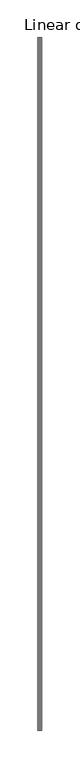
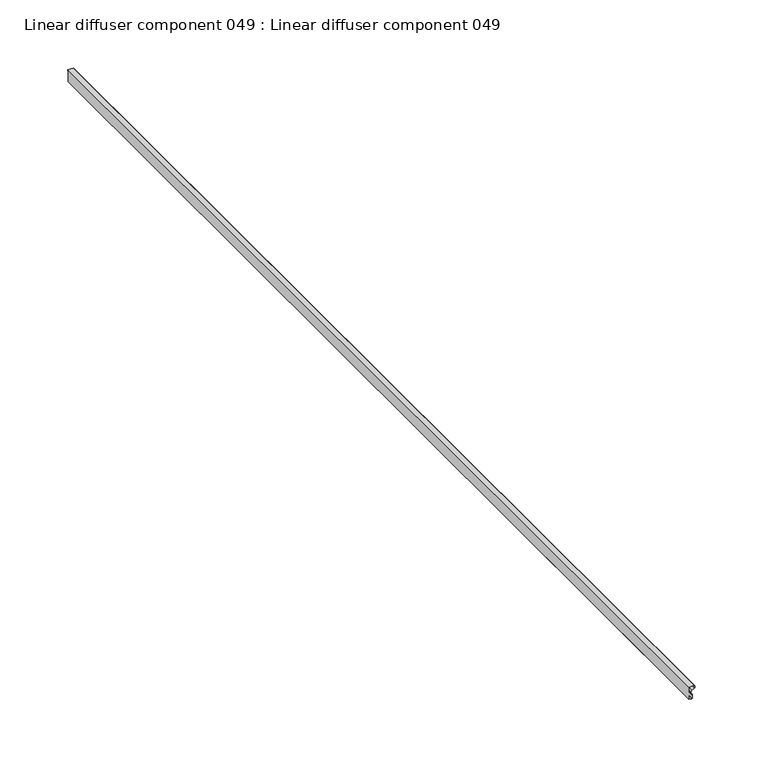
"""IFC4 building model written with IfcOpenShell, lengths in millimetres: proxy geometry, Linear diffuser component 049 : Linear diffuser component 049."""

from ifc_helpers import new_model, si_unit, origin, place, context, project, spatial, triangles, source, transform, mapped, element, save


def linear_diffuser_component_049_linear_diffuser_component_049_4c30373f(model_context):
    return source(origin(), model_context, "Body", "Tessellation", [
        triangles([(37343.6926758, -19576.8259827, 2979.0254311), (37343.6926758, -18662.4259827, 2979.0254311), (37342.8834229, -18662.4259827, 2979.9620018), (37342.8834229, -19576.8259827, 2979.9620018), (37342.5950684, -18662.4259827, 2981.1636726), (37342.5950684, -19576.8259827, 2981.1636726), (37343.3647888, -18662.4259827, 2983.0257683), (37343.3647888, -19576.8259827, 2983.0257683), (37345.3809448, -18662.4259827, 2983.8579849), (37345.3809448, -19576.8259827, 2983.8579849), (37345.7878967, -19576.8259827, 2984.1759888), (37345.7878967, -18662.4259827, 2984.1759888), (37345.7878967, -18662.4259827, 2986.1502869), (37345.7878967, -19576.8259827, 2986.1502869), (37345.4018738, -18662.4259827, 2986.1502869), (37345.4018738, -19576.8259827, 2986.1502869), (37345.4018738, -18662.4259827, 2986.5383446), (37345.4018738, -19576.8259827, 2986.5383446), (37340.7277405, -18662.4259827, 2986.5383446), (37340.7277405, -19576.8259827, 2986.5383446), (37340.7277405, -18662.4259827, 2985.7625198), (37340.7277405, -19576.8259827, 2985.7625198), (37340.8440125, -19576.8259827, 2985.7625198), (37340.8440125, -18662.4259827, 2985.7625198), (37340.8440125, -18662.4259827, 2975.7436546), (37340.8440125, -19576.8259827, 2975.7436546), (37342.4369385, -18662.4259827, 2975.7436546), (37342.4369385, -19576.8259827, 2975.7436546), (37342.4369385, -18662.4259827, 2974.9649231), (37342.4369385, -19576.8259827, 2974.9649231), (37343.4624573, -18662.4259827, 2974.9649231), (37343.4624573, -19576.8259827, 2974.9649231), (37343.8531311, -19576.8259827, 2975.3529808), (37343.8531311, -18662.4259827, 2975.3529808), (37343.8531311, -18662.4259827, 2978.7068459), (37343.8531311, -19576.8259827, 2978.7068459), (37343.4647827, -18662.4259827, 2978.7068459), (37343.4647827, -19576.8259827, 2978.7068459)], [[4, 1, 3], [2, 3, 1], [6, 4, 5], [3, 5, 4], [8, 6, 7], [5, 7, 6], [10, 8, 9], [7, 9, 8], [14, 11, 12], [12, 13, 14], [16, 14, 15], [13, 15, 14], [18, 16, 17], [15, 17, 16], [20, 18, 19], [17, 19, 18], [22, 20, 19], [19, 21, 22], [26, 23, 25], [24, 25, 23], [28, 26, 27], [25, 27, 26], [30, 28, 27], [27, 29, 30], [32, 30, 29], [29, 31, 32], [36, 33, 34], [34, 35, 36], [38, 36, 35], [35, 37, 38], [1, 38, 37], [37, 2, 1]], closed=False),
    ])


if __name__ == "__main__":
    model = new_model("IFC4")
    model_context = context("Model", 3, world=origin())
    ifc_project = project(units=[si_unit("LENGTHUNIT", "METRE", prefix="MILLI")], contexts=[model_context])
    site = spatial("IfcSite", under=ifc_project)
    building = spatial("IfcBuilding", under=site)
    placement = place(None, origin())
    linear_diffuser_component_049_linear_diffuser_component_049_shape = linear_diffuser_component_049_linear_diffuser_component_049_4c30373f(model_context)
    element("IfcBuildingElementProxy", 1, Name="Linear diffuser component 049 : Linear diffuser component 049", ObjectType="Linear diffuser component 049 : Linear diffuser component 049", at=placement, inside=building, context=model_context, shape_type="MappedRepresentation", body=[
        mapped(linear_diffuser_component_049_linear_diffuser_component_049_shape, transform((0.0, 0.0, 0.0), x_axis=(1.0, 0.0, 0.0), y_axis=(0.0, 1.0, 0.0), z_axis=(0.0, 0.0, 1.0))),
    ])
    save(model, "model.ifc")
